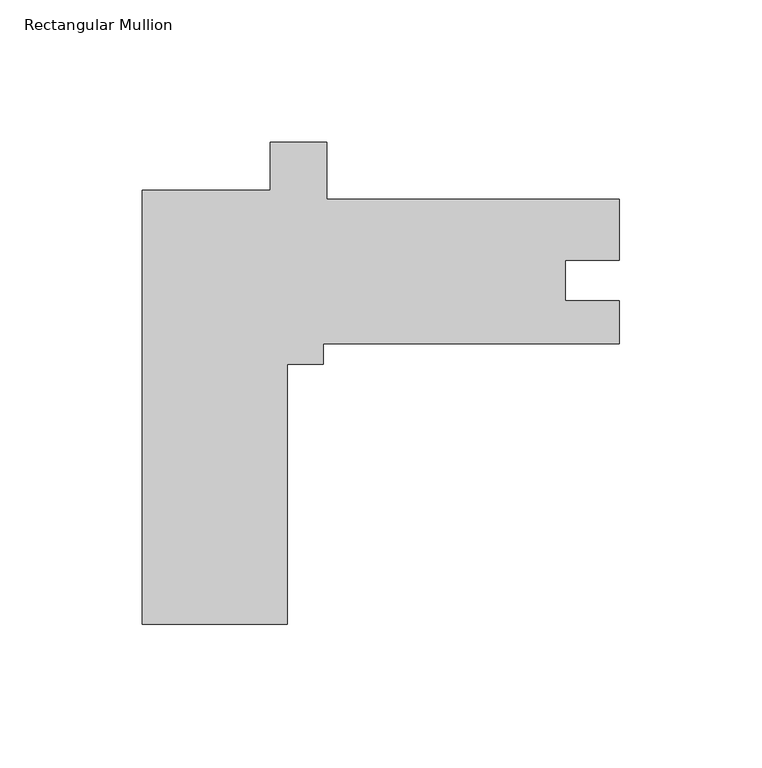
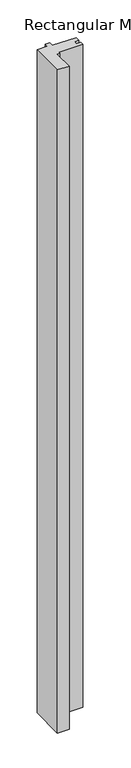
"""IFC4 building model written with IfcOpenShell, lengths in millimetres: member geometry, Rectangular Mullion."""

from ifc_helpers import new_model, si_unit, frame, origin, place, context, project, spatial, polyline, outline, extrude, source, transform, mapped, element, save


def rectangular_mullion_19749736(model_context):
    return source(origin(), model_context, "Body", "SweptSolid", [
        extrude(outline(polyline([(-116.6682707, -76.1999365), (-167.4812513, -76.1999365), (-167.4812513, 76.1999365), (-122.6177059, 76.1999365), (-122.6177059, 92.9890023), (-102.8003709, 92.9890023), (-102.8003709, 73.0249365), (-1.3e-06, 73.0249365), (-1.3e-06, 51.6419354), (-19.0246, 51.6419354), (-19.0246, 37.3252365), (0.0, 37.3252365), (0.0, 22.2249365), (-103.9812513, 22.2249365), (-103.9812513, 15.0659465), (-116.6682707, 15.0659465), (-116.6682707, -76.1999365)])), frame((0.0, 0.0, -3048.0), z_axis=(0.0, 0.0, 1.0), x_axis=(1.0, 0.0, 0.0)), (0.0, 0.0, 1.0), 3048.0),
    ])


if __name__ == "__main__":
    model = new_model("IFC4")
    model_context = context("Model", 3, world=origin())
    ifc_project = project(units=[si_unit("LENGTHUNIT", "METRE", prefix="MILLI")], contexts=[model_context])
    site = spatial("IfcSite", under=ifc_project)
    building = spatial("IfcBuilding", under=site)
    placement = place(None, origin())
    rectangular_mullion_shape = rectangular_mullion_19749736(model_context)
    element("IfcMember", 1, ObjectType="Rectangular Mullion", at=placement, inside=building, context=model_context, shape_type="MappedRepresentation", body=[
        mapped(rectangular_mullion_shape, transform((0.0, 0.0, 0.0), x_axis=(1.0, 0.0, 0.0), y_axis=(0.0, 1.0, 0.0), z_axis=(0.0, 0.0, 1.0))),
    ])
    save(model, "model.ifc")
